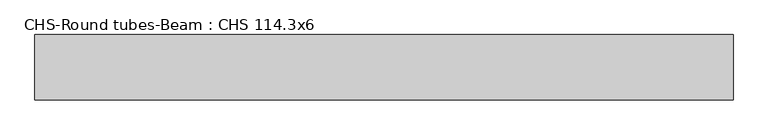
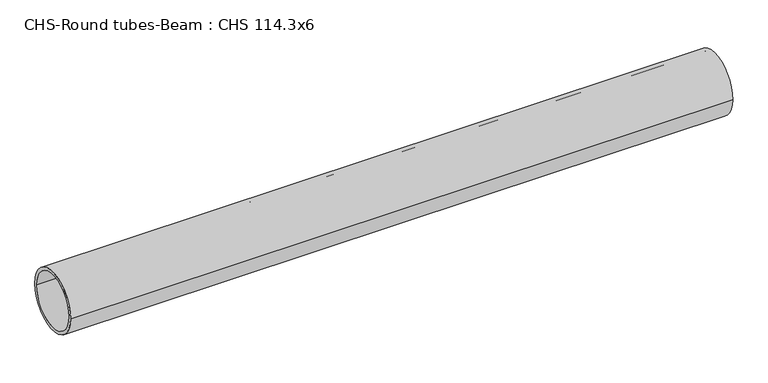
"""IFC4 building model written with IfcOpenShell, lengths in millimetres: beam geometry, CHS-Round tubes-Beam : CHS 114.3x6."""

from ifc_helpers import new_model, si_unit, point, frame, origin, origin_2d, place, context, project, spatial, circle_curve, trimmed, segment, composite_curve, outline, extrude, source, transform, mapped, element, save


def chs_round_tubes_beam_chs_114_3x6_e529484b(model_context):
    return source(origin(), model_context, "Body", "SweptSolid", [
        extrude(outline(composite_curve([segment(trimmed(circle_curve(origin_2d(), 57.15), [point((57.15, 0.0))], [point((-57.15, 0.0))], False, "CARTESIAN"), True, "CONTINUOUS"), segment(trimmed(circle_curve(origin_2d(), 57.15), [point((-57.15, 0.0))], [point((57.15, 0.0))], False, "CARTESIAN"), True, "CONTINUOUS")], self_intersect=False), holes=[composite_curve([segment(trimmed(circle_curve(origin_2d(), 51.15), [point((51.15, 0.0))], [point((-51.15, 0.0))], True, "CARTESIAN"), True, "CONTINUOUS"), segment(trimmed(circle_curve(origin_2d(), 51.15), [point((-51.15, 0.0))], [point((51.15, 0.0))], True, "CARTESIAN"), True, "CONTINUOUS")], self_intersect=False)]), frame((-617.7038164, 0.0, 0.0), z_axis=(1.0, 0.0, 0.0), x_axis=(0.0, 1.0, 0.0)), (0.0, 0.0, 1.0), 1224.0590692),
    ])


if __name__ == "__main__":
    model = new_model("IFC4")
    model_context = context("Model", 3, world=origin())
    ifc_project = project(units=[si_unit("LENGTHUNIT", "METRE", prefix="MILLI")], contexts=[model_context])
    site = spatial("IfcSite", under=ifc_project)
    building = spatial("IfcBuilding", under=site)
    placement = place(None, origin())
    chs_round_tubes_beam_chs_114_3x6_shape = chs_round_tubes_beam_chs_114_3x6_e529484b(model_context)
    element("IfcBeam", 1, ObjectType="CHS-Round tubes-Beam : CHS 114.3x6", at=placement, inside=building, context=model_context, shape_type="MappedRepresentation", body=[
        mapped(chs_round_tubes_beam_chs_114_3x6_shape, transform((0.0, 0.0, 0.0), x_axis=(1.0, 0.0, 0.0), y_axis=(0.0, 1.0, 0.0), z_axis=(0.0, 0.0, 1.0))),
    ])
    save(model, "model.ifc")
